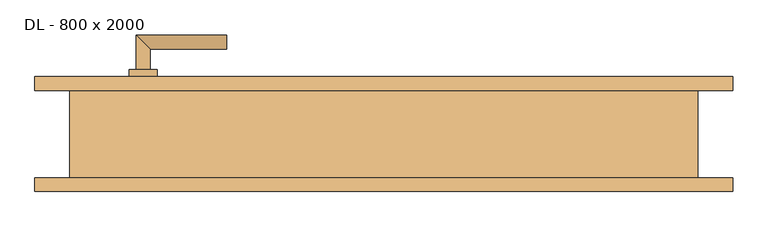
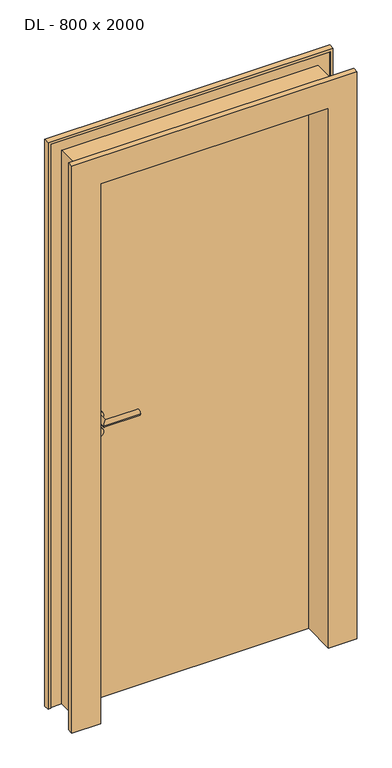
"""IFC4 building model written with IfcOpenShell, lengths in millimetres: door geometry, DL - 800 x 2000."""

from ifc_helpers import new_model, si_unit, point, frame, frame_2d, origin, origin_with_axes, place, context, project, spatial, polyline, circle_curve, ellipse_curve, trimmed, segment, composite_curve, outline, extrude, faceted_brep, source, transform, mapped, element, save
from ifc_brep_helpers import plane_surface, cylinder_surface, advanced_brep


def dl_800_x_2000_a581db8f(model_context):
    return source(origin(), model_context, "Body", "SolidModel", [
        extrude(outline(polyline([(411.0, 82.5), (411.0, 37.5), (-411.0, 37.5), (-411.0, 82.5), (411.0, 82.5)])), origin_with_axes(), (0.0, 0.0, 1.0), 2011.0),
        advanced_brep(
        [(-335.0, 92.5, 1050.0), (-355.0, 92.5, 1050.0), (-335.0, 122.5, 1050.0), (-355.0, 142.5, 1050.0), (-225.0, 122.5, 1050.0), (-225.0, 142.5, 1050.0)],
        [
            (0, 1, circle_curve(frame((-345.0, 92.5, 1050.0), z_axis=(0.0, -1.0, 0.0), x_axis=(-1.0, 0.0, 0.0)), 10.0)),
            (1, 0, circle_curve(frame((-345.0, 92.5, 1050.0), z_axis=(0.0, -1.0, 0.0), x_axis=(-1.0, 0.0, 0.0)), 10.0)),
            (0, 2),
            (2, 3, ellipse_curve(frame((-345.0, 132.5, 1050.0), z_axis=(-0.7071067811865531, -0.7071067811865419, 0.0), x_axis=(0.707106781186542, -0.707106781186553, 0.0)), 14.1421356, 10.0)),
            (3, 1),
            (3, 2, ellipse_curve(frame((-345.0, 132.5, 1050.0), z_axis=(-0.7071067811865531, -0.7071067811865419, 0.0), x_axis=(0.707106781186542, -0.707106781186553, 0.0)), 14.1421356, 10.0)),
            (4, 5, circle_curve(frame((-225.0, 132.5, 1050.0), z_axis=(1.0, 0.0, 0.0), x_axis=(0.0, 1.0, 0.0)), 10.0)),
            (5, 4, circle_curve(frame((-225.0, 132.5, 1050.0), z_axis=(1.0, 0.0, 0.0), x_axis=(0.0, 1.0, 0.0)), 10.0)),
            (2, 4),
            (5, 3),
        ],
        [
            plane_surface(frame((-345.0, 92.5, 1050.0), z_axis=(0.0, -1.0, 0.0), x_axis=(0.0, 0.0, 1.0))),
            cylinder_surface(frame((-345.0, 92.5, 1050.0), z_axis=(0.0, -1.0, 0.0), x_axis=(-1.0, 0.0, 0.0)), 10.0),
            plane_surface(frame((-225.0, 132.5, 1050.0), z_axis=(1.0, 0.0, 0.0), x_axis=(0.0, 0.0, 1.0))),
            cylinder_surface(frame((-345.0, 132.5, 1050.0), z_axis=(-1.0, 0.0, 0.0), x_axis=(0.0, 1.0, 0.0)), 10.0),
        ],
        [
            (0, [[1, 2]]),
            (1, [[-1, 3, 4, 5]]),
            (1, [[-2, -5, 6, -3]]),
            (2, [[7, 8]]),
            (3, [[-4, 9, -8, 10]]),
            (3, [[-6, -10, -7, -9]]),
        ],
    ),
        extrude(outline(composite_curve([segment(trimmed(circle_curve(frame_2d((990.0, -345.0)), 20.0), [point((990.0, -365.0))], [point((990.0, -325.0))], False, "CARTESIAN"), True, "CONTINUOUS"), segment(trimmed(circle_curve(frame_2d((990.0, -345.0)), 20.0), [point((990.0, -325.0))], [point((990.0, -365.0))], False, "CARTESIAN"), True, "CONTINUOUS")], self_intersect=False), holes=[composite_curve([segment(polyline([(976.4601385, -347.397268), (988.4749012, -347.397268)]), True, "CONTINUOUS"), segment(trimmed(circle_curve(frame_2d((995.0361633, -345.0)), 6.9854888), [point((988.4749012, -347.397268))], [point((988.4749012, -342.602732))], True, "CARTESIAN"), True, "CONTINUOUS"), segment(polyline([(988.4749012, -342.602732), (976.4601385, -342.602732)]), True, "CONTINUOUS"), segment(trimmed(circle_curve(frame_2d((976.4601385, -345.0)), 2.397268), [point((976.4601385, -342.602732))], [point((976.4601385, -347.397268))], True, "CARTESIAN"), True, "CONTINUOUS")], self_intersect=False)]), frame((0.0, 82.5, 0.0), z_axis=(0.0, 1.0, 0.0), x_axis=(0.0, 0.0, 1.0)), (0.0, 0.0, 1.0), 10.0),
        advanced_brep(
        [(-335.0, 92.5, 1050.0), (-355.0, 92.5, 1050.0), (-335.0, 122.5, 1050.0), (-355.0, 142.5, 1050.0), (-225.0, 122.5, 1050.0), (-225.0, 142.5, 1050.0)],
        [
            (0, 1, circle_curve(frame((-345.0, 92.5, 1050.0), z_axis=(0.0, -1.0, 0.0), x_axis=(-1.0, 0.0, 0.0)), 10.0)),
            (1, 0, circle_curve(frame((-345.0, 92.5, 1050.0), z_axis=(0.0, -1.0, 0.0), x_axis=(-1.0, 0.0, 0.0)), 10.0)),
            (0, 2),
            (2, 3, ellipse_curve(frame((-345.0, 132.5, 1050.0), z_axis=(-0.7071067811865537, -0.7071067811865414, 0.0), x_axis=(0.7071067811865414, -0.7071067811865536, 0.0)), 14.1421356, 10.0)),
            (3, 1),
            (3, 2, ellipse_curve(frame((-345.0, 132.5, 1050.0), z_axis=(-0.7071067811865537, -0.7071067811865414, 0.0), x_axis=(0.7071067811865414, -0.7071067811865536, 0.0)), 14.1421356, 10.0)),
            (4, 5, circle_curve(frame((-225.0, 132.5, 1050.0), z_axis=(1.0, 0.0, 0.0), x_axis=(0.0, 1.0, 0.0)), 10.0)),
            (5, 4, circle_curve(frame((-225.0, 132.5, 1050.0), z_axis=(1.0, 0.0, 0.0), x_axis=(0.0, 1.0, 0.0)), 10.0)),
            (2, 4),
            (5, 3),
        ],
        [
            plane_surface(frame((-345.0, 92.5, 1050.0), z_axis=(0.0, -1.0, 0.0), x_axis=(0.0, 0.0, 1.0))),
            cylinder_surface(frame((-345.0, 92.5, 1050.0), z_axis=(0.0, -1.0, 0.0), x_axis=(-1.0, 0.0, 0.0)), 10.0),
            plane_surface(frame((-225.0, 132.5, 1050.0), z_axis=(1.0, 0.0, 0.0), x_axis=(0.0, 0.0, 1.0))),
            cylinder_surface(frame((-345.0, 132.5, 1050.0), z_axis=(-1.0, 0.0, 0.0), x_axis=(0.0, 1.0, 0.0)), 10.0),
        ],
        [
            (0, [[1, 2]]),
            (1, [[-1, 3, 4, 5]]),
            (1, [[-2, -5, 6, -3]]),
            (2, [[7, 8]]),
            (3, [[-4, 9, -8, 10]]),
            (3, [[-6, -10, -7, -9]]),
        ],
    ),
        extrude(outline(composite_curve([segment(trimmed(circle_curve(frame_2d((1050.0, -345.0)), 20.0), [point((1050.0, -365.0))], [point((1050.0, -325.0))], False, "CARTESIAN"), True, "CONTINUOUS"), segment(trimmed(circle_curve(frame_2d((1050.0, -345.0)), 20.0), [point((1050.0, -325.0))], [point((1050.0, -365.0))], False, "CARTESIAN"), True, "CONTINUOUS")], self_intersect=False)), frame((0.0, 82.5, 0.0), z_axis=(0.0, 1.0, 0.0), x_axis=(0.0, 0.0, 1.0)), (0.0, 0.0, 1.0), 10.0),
        advanced_brep(
        [(-335.0, 27.5, 1050.0), (-355.0, 27.5, 1050.0), (-355.0, -22.5, 1050.0), (-335.0, -2.5, 1050.0), (-225.0, -2.5, 1050.0), (-225.0, -22.5, 1050.0)],
        [
            (0, 1, circle_curve(frame((-345.0, 27.5, 1050.0), z_axis=(0.0, 1.0, 0.0), x_axis=(-1.0, 0.0, 0.0)), 10.0)),
            (1, 0, circle_curve(frame((-345.0, 27.5, 1050.0), z_axis=(0.0, 1.0, 0.0), x_axis=(-1.0, 0.0, 0.0)), 10.0)),
            (1, 2),
            (2, 3, ellipse_curve(frame((-345.0, -12.5, 1050.0), z_axis=(-0.7071067811865486, 0.7071067811865464, 0.0), x_axis=(0.7071067811865464, 0.7071067811865488, 0.0)), 14.1421356, 10.0)),
            (3, 0),
            (3, 2, ellipse_curve(frame((-345.0, -12.5, 1050.0), z_axis=(-0.7071067811865486, 0.7071067811865464, 0.0), x_axis=(0.7071067811865464, 0.7071067811865488, 0.0)), 14.1421356, 10.0)),
            (4, 5, circle_curve(frame((-225.0, -12.5, 1050.0), z_axis=(1.0, 0.0, 0.0), x_axis=(0.0, -1.0, 0.0)), 10.0)),
            (5, 4, circle_curve(frame((-225.0, -12.5, 1050.0), z_axis=(1.0, 0.0, 0.0), x_axis=(0.0, -1.0, 0.0)), 10.0)),
            (2, 5),
            (4, 3),
        ],
        [
            plane_surface(frame((-345.0, 27.5, 1050.0), z_axis=(0.0, 1.0, 0.0), x_axis=(0.0, 0.0, 1.0))),
            cylinder_surface(frame((-345.0, 27.5, 1050.0), z_axis=(0.0, 1.0, 0.0), x_axis=(-1.0, 0.0, 0.0)), 10.0),
            plane_surface(frame((-225.0, -12.5, 1050.0), z_axis=(1.0, 0.0, 0.0), x_axis=(0.0, 0.0, 1.0))),
            cylinder_surface(frame((-345.0, -12.5, 1050.0), z_axis=(-1.0, 0.0, 0.0), x_axis=(0.0, -1.0, 0.0)), 10.0),
        ],
        [
            (0, [[1, 2]]),
            (1, [[3, 4, 5, -2]]),
            (1, [[-5, 6, -3, -1]]),
            (2, [[7, 8]]),
            (3, [[9, -7, 10, -4]]),
            (3, [[-10, -8, -9, -6]]),
        ],
    ),
        extrude(outline(composite_curve([segment(trimmed(circle_curve(frame_2d((990.0, -345.0)), 20.0), [point((990.0, -365.0))], [point((990.0, -325.0))], False, "CARTESIAN"), True, "CONTINUOUS"), segment(trimmed(circle_curve(frame_2d((990.0, -345.0)), 20.0), [point((990.0, -325.0))], [point((990.0, -365.0))], False, "CARTESIAN"), True, "CONTINUOUS")], self_intersect=False), holes=[composite_curve([segment(polyline([(976.4601385, -347.397268), (988.4749012, -347.397268)]), True, "CONTINUOUS"), segment(trimmed(circle_curve(frame_2d((995.0361633, -345.0)), 6.9854888), [point((988.4749012, -347.397268))], [point((988.4749012, -342.602732))], True, "CARTESIAN"), True, "CONTINUOUS"), segment(polyline([(988.4749012, -342.602732), (976.4601385, -342.602732)]), True, "CONTINUOUS"), segment(trimmed(circle_curve(frame_2d((976.4601385, -345.0)), 2.397268), [point((976.4601385, -342.602732))], [point((976.4601385, -347.397268))], True, "CARTESIAN"), True, "CONTINUOUS")], self_intersect=False)]), frame((0.0, 27.5, 0.0), z_axis=(0.0, 1.0, 0.0), x_axis=(0.0, 0.0, 1.0)), (0.0, 0.0, 1.0), 10.0),
        advanced_brep(
        [(-335.0, 27.5, 1050.0), (-355.0, 27.5, 1050.0), (-355.0, -22.5, 1050.0), (-335.0, -2.5, 1050.0), (-225.0, -2.5, 1050.0), (-225.0, -22.5, 1050.0)],
        [
            (0, 1, circle_curve(frame((-345.0, 27.5, 1050.0), z_axis=(0.0, 1.0, 0.0), x_axis=(-1.0, 0.0, 0.0)), 10.0)),
            (1, 0, circle_curve(frame((-345.0, 27.5, 1050.0), z_axis=(0.0, 1.0, 0.0), x_axis=(-1.0, 0.0, 0.0)), 10.0)),
            (1, 2),
            (2, 3, ellipse_curve(frame((-345.0, -12.5, 1050.0), z_axis=(-0.7071067811865491, 0.7071067811865459, 0.0), x_axis=(0.7071067811865458, 0.7071067811865492, 0.0)), 14.1421356, 10.0)),
            (3, 0),
            (3, 2, ellipse_curve(frame((-345.0, -12.5, 1050.0), z_axis=(-0.7071067811865491, 0.7071067811865459, 0.0), x_axis=(0.7071067811865458, 0.7071067811865492, 0.0)), 14.1421356, 10.0)),
            (4, 5, circle_curve(frame((-225.0, -12.5, 1050.0), z_axis=(1.0, 0.0, 0.0), x_axis=(0.0, -1.0, 0.0)), 10.0)),
            (5, 4, circle_curve(frame((-225.0, -12.5, 1050.0), z_axis=(1.0, 0.0, 0.0), x_axis=(0.0, -1.0, 0.0)), 10.0)),
            (2, 5),
            (4, 3),
        ],
        [
            plane_surface(frame((-345.0, 27.5, 1050.0), z_axis=(0.0, 1.0, 0.0), x_axis=(0.0, 0.0, 1.0))),
            cylinder_surface(frame((-345.0, 27.5, 1050.0), z_axis=(0.0, 1.0, 0.0), x_axis=(-1.0, 0.0, 0.0)), 10.0),
            plane_surface(frame((-225.0, -12.5, 1050.0), z_axis=(1.0, 0.0, 0.0), x_axis=(0.0, 0.0, 1.0))),
            cylinder_surface(frame((-345.0, -12.5, 1050.0), z_axis=(-1.0, 0.0, 0.0), x_axis=(0.0, -1.0, 0.0)), 10.0),
        ],
        [
            (0, [[1, 2]]),
            (1, [[3, 4, 5, -2]]),
            (1, [[-5, 6, -3, -1]]),
            (2, [[7, 8]]),
            (3, [[9, -7, 10, -4]]),
            (3, [[-10, -8, -9, -6]]),
        ],
    ),
        extrude(outline(composite_curve([segment(trimmed(circle_curve(frame_2d((1050.0, -345.0)), 20.0), [point((1050.0, -365.0))], [point((1050.0, -325.0))], False, "CARTESIAN"), True, "CONTINUOUS"), segment(trimmed(circle_curve(frame_2d((1050.0, -345.0)), 20.0), [point((1050.0, -325.0))], [point((1050.0, -365.0))], False, "CARTESIAN"), True, "CONTINUOUS")], self_intersect=False)), frame((0.0, 27.5, 0.0), z_axis=(0.0, 1.0, 0.0), x_axis=(0.0, 0.0, 1.0)), (0.0, 0.0, 1.0), 10.0),
        faceted_brep([(-400.0, -82.5, 0.0), (-500.0, -82.5, 0.0), (-500.0, -62.5, 0.0), (-490.0, -62.5, 0.0), (-490.0, -67.5, 0.0), (-450.0, -67.5, 0.0), (-450.0, 67.5, 0.0), (-490.0, 67.5, 0.0), (-490.0, 62.5, 0.0), (-500.0, 62.5, 0.0), (-500.0, 82.5, 0.0), (-415.0, 82.5, 0.0), (-415.0, 37.5, 0.0), (-400.0, 37.5, 0.0), (-400.0, -82.5, 2000.0), (400.0, -82.5, 2000.0), (400.0, -82.5, 0.0), (500.0, -82.5, 0.0), (500.0, -82.5, 2100.0), (-500.0, -82.5, 2100.0), (-500.0, -62.5, 2100.0), (500.0, -62.5, 2100.0), (500.0, -62.5, 0.0), (490.0, -62.5, 0.0), (490.0, -62.5, 2090.0), (-490.0, -62.5, 2090.0), (-490.0, -67.5, 2090.0), (490.0, -67.5, 2090.0), (490.0, -67.5, 0.0), (450.0, -67.5, 0.0), (450.0, -67.5, 2050.0), (-450.0, -67.5, 2050.0), (-450.0, 67.5, 2050.0), (450.0, 67.5, 2050.0), (450.0, 67.5, 0.0), (490.0, 67.5, 0.0), (490.0, 67.5, 2090.0), (-490.0, 67.5, 2090.0), (-490.0, 62.5, 2090.0), (490.0, 62.5, 2090.0), (490.0, 62.5, 0.0), (500.0, 62.5, 0.0), (500.0, 62.5, 2100.0), (-500.0, 62.5, 2100.0), (-500.0, 82.5, 2100.0), (500.0, 82.5, 2100.0), (500.0, 82.5, 0.0), (415.0, 82.5, 0.0), (415.0, 82.5, 2015.0), (-415.0, 82.5, 2015.0), (-415.0, 37.5, 2015.0), (415.0, 37.5, 2015.0), (415.0, 37.5, 0.0), (400.0, 37.5, 0.0), (400.0, 37.5, 2000.0), (-400.0, 37.5, 2000.0)], [[[0, 1, 2, 3, 4, 5, 6, 7, 8, 9, 10, 11, 12, 13]], [[1, 0, 14, 15, 16, 17, 18, 19]], [[2, 1, 19, 20]], [[3, 2, 20, 21, 22, 23, 24, 25]], [[4, 3, 25, 26]], [[5, 4, 26, 27, 28, 29, 30, 31]], [[6, 5, 31, 32]], [[7, 6, 32, 33, 34, 35, 36, 37]], [[8, 7, 37, 38]], [[9, 8, 38, 39, 40, 41, 42, 43]], [[10, 9, 43, 44]], [[11, 10, 44, 45, 46, 47, 48, 49]], [[12, 11, 49, 50]], [[13, 12, 50, 51, 52, 53, 54, 55]], [[0, 13, 55, 14]], [[16, 53, 52, 47, 46, 41, 40, 35, 34, 29, 28, 23, 22, 17]], [[15, 54, 53, 16]], [[51, 48, 47, 52]], [[45, 42, 41, 46]], [[39, 36, 35, 40]], [[33, 30, 29, 34]], [[27, 24, 23, 28]], [[21, 18, 17, 22]], [[32, 31, 30, 33]], [[14, 55, 54, 15]], [[50, 49, 48, 51]], [[44, 43, 42, 45]], [[20, 19, 18, 21]], [[38, 37, 36, 39]], [[26, 25, 24, 27]]]),
    ])


if __name__ == "__main__":
    model = new_model("IFC4")
    model_context = context("Model", 3, world=origin())
    ifc_project = project(units=[si_unit("LENGTHUNIT", "METRE", prefix="MILLI")], contexts=[model_context])
    site = spatial("IfcSite", under=ifc_project)
    building = spatial("IfcBuilding", under=site)
    placement = place(None, origin())
    dl_800_x_2000_shape = dl_800_x_2000_a581db8f(model_context)
    element("IfcDoor", 1, ObjectType="DL - 800 x 2000", at=placement, inside=building, context=model_context, shape_type="MappedRepresentation", body=[
        mapped(dl_800_x_2000_shape, transform((0.0, 0.0, 0.0), x_axis=(1.0, 0.0, 0.0), y_axis=(0.0, 1.0, 0.0), z_axis=(0.0, 0.0, 1.0))),
    ])
    save(model, "model.ifc")
